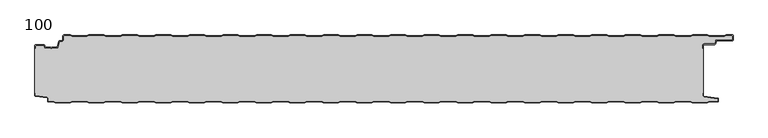
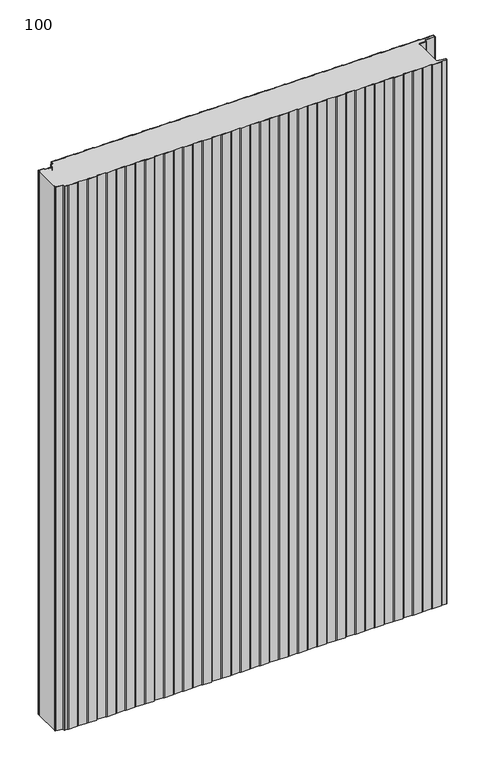
"""IFC4 building model written with IfcOpenShell, lengths in millimetres: plate geometry, 100."""

from ifc_helpers import new_model, si_unit, point, frame_2d, origin, origin_with_axes, place, context, project, spatial, polyline, circle_curve, trimmed, segment, composite_curve, outline, extrude, source, transform, mapped, element, save


def plate_100_24b2f9e5(model_context):
    return source(origin(), model_context, "Body", "SweptSolid", [
        extrude(outline(composite_curve([segment(trimmed(circle_curve(frame_2d((-498.6, -16.2480681)), 1.4), [point((-500.0, -16.2480681))], [point((-498.6, -14.8480681))], False, "CARTESIAN"), True, "CONTINUOUS"), segment(polyline([(-498.6, -14.8480681), (-486.4969094, -14.8480681)]), True, "CONTINUOUS"), segment(trimmed(circle_curve(frame_2d((-486.4969094, -16.2480681)), 1.4), [point((-486.4969094, -14.8480681))], [point((-485.1275334, -15.9568477))], False, "CARTESIAN"), True, "CONTINUOUS"), segment(polyline([(-485.1275334, -15.9568477), (-484.6878192, -18.0244711)]), True, "CONTINUOUS"), segment(trimmed(circle_curve(frame_2d((-484.1011925, -17.8997153)), 0.5997457), [point((-484.6878192, -18.0244711))], [point((-484.1011925, -18.499461))], True, "CARTESIAN"), True, "CONTINUOUS"), segment(polyline([(-484.1011925, -18.499461), (-476.9006569, -18.499461)]), True, "CONTINUOUS"), segment(trimmed(circle_curve(frame_2d((-476.9006569, -19.799946)), 1.300485), [point((-476.9006569, -18.499461))], [point((-475.9808032, -18.8806362))], False, "CARTESIAN"), True, "CONTINUOUS"), segment(trimmed(circle_curve(frame_2d((-475.5877843, -18.5693125)), 0.5013845), [point((-475.9808032, -18.8806362))], [point((-475.2328971, -18.9234896))], True, "CARTESIAN"), True, "CONTINUOUS"), segment(trimmed(circle_curve(frame_2d((-474.2728751, -19.8002001)), 1.3001013), [point((-475.2328971, -18.9234896))], [point((-474.2728751, -18.5000988))], False, "CARTESIAN"), True, "CONTINUOUS"), segment(polyline([(-474.2728751, -18.5000988), (-467.0728572, -18.5000988)]), True, "CONTINUOUS"), segment(trimmed(circle_curve(frame_2d((-467.0728572, -17.9000522)), 0.6000466), [point((-467.0728572, -18.5000988))], [point((-466.4859224, -18.0248059))], True, "CARTESIAN"), True, "CONTINUOUS"), segment(polyline([(-466.4859224, -18.0248059), (-464.8033928, -10.1089305)]), True, "CONTINUOUS"), segment(trimmed(circle_curve(frame_2d((-463.4339847, -10.4)), 1.4), [point((-464.8033928, -10.1089305))], [point((-463.4339847, -9.0))], False, "CARTESIAN"), True, "CONTINUOUS"), segment(polyline([(-463.4339847, -9.0), (-460.4027062, -9.0)]), True, "CONTINUOUS"), segment(trimmed(circle_curve(frame_2d((-460.4027062, -7.1)), 1.9), [point((-460.4027062, -9.0))], [point((-458.5027062, -7.1))], True, "CARTESIAN"), True, "CONTINUOUS"), segment(polyline([(-458.5027062, -7.1), (-458.5027062, -2.0)]), True, "CONTINUOUS"), segment(trimmed(circle_curve(frame_2d((-456.5027062, -2.0)), 2.0), [point((-458.5027062, -2.0))], [point((-456.5027062, 0.0))], False, "CARTESIAN"), True, "CONTINUOUS"), segment(polyline([(-456.5027062, 0.0), (-447.5017452, 0.0), (-444.5017452, -1.0), (-422.5017452, -1.0), (-419.5017452, 0.0), (-397.5017452, 0.0), (-394.5017452, -1.0), (-372.5017452, -1.0), (-369.5017452, 0.0), (-347.5017452, 0.0), (-344.5017452, -1.0), (-322.5017452, -1.0), (-319.5017452, 0.0), (-297.5017452, 0.0), (-294.5017452, -1.0), (-272.5017452, -1.0), (-269.5017452, 0.0), (-247.5017452, 0.0), (-244.5017452, -1.0), (-222.5017452, -1.0), (-219.5017452, 0.0), (-197.5017452, 0.0), (-194.5017452, -1.0), (-172.5017452, -1.0), (-169.5017452, 0.0), (-147.5017452, 0.0), (-144.5017452, -1.0), (-122.5017452, -1.0), (-119.5017452, 0.0), (-97.5017452, 0.0), (-94.5017452, -1.0), (-72.5017452, -1.0), (-69.5017452, 0.0), (-47.5017452, 0.0), (-44.5017452, -1.0), (-22.5017452, -1.0), (-19.5017452, 0.0), (2.4982548, 0.0), (5.4982548, -1.0), (27.4982548, -1.0), (30.4982548, 0.0), (52.4982548, 0.0), (55.4982548, -1.0), (77.4982548, -1.0), (80.4982548, 0.0), (102.4982548, 0.0), (105.4982548, -1.0), (127.4982548, -1.0), (130.4982548, 0.0), (152.4982548, 0.0), (155.4982548, -1.0), (177.4982548, -1.0), (180.4982548, 0.0), (202.4982548, 0.0), (205.4982548, -1.0), (227.4982548, -1.0), (230.4982548, 0.0), (252.4982548, 0.0), (255.4982548, -1.0), (277.4982548, -1.0), (280.4982548, 0.0), (302.4982548, 0.0), (305.4982548, -1.0), (327.4982548, -1.0), (330.4982548, 0.0), (352.4982548, 0.0), (355.4982548, -1.0), (377.4982548, -1.0), (380.4982548, 0.0), (402.4982548, 0.0), (405.4982548, -1.0), (427.4982548, -1.0), (430.4982548, 0.0), (452.4982548, 0.0), (455.4982548, -1.0), (477.4982548, -1.0), (480.4982548, 0.0), (502.4982548, 0.0), (505.4982548, -1.0), (527.4982548, -1.0), (530.4982548, 0.0), (539.4972938, 0.0)]), True, "CONTINUOUS"), segment(trimmed(circle_curve(frame_2d((539.4972938, -2.0)), 2.0), [point((539.4972938, 0.0))], [point((541.0, -0.6801992))], False, "CARTESIAN"), True, "CONTINUOUS"), segment(polyline([(541.0, -0.6801992), (541.0, -8.0014566)]), True, "CONTINUOUS"), segment(trimmed(circle_curve(frame_2d((539.7972938, -6.8)), 1.7), [point((541.0, -8.0014566))], [point((539.7972938, -8.5))], False, "CARTESIAN"), True, "CONTINUOUS"), segment(polyline([(539.7972938, -8.5), (517.0135311, -8.5)]), True, "CONTINUOUS"), segment(trimmed(circle_curve(frame_2d((517.0135311, -9.9)), 1.4), [point((517.0135311, -8.5))], [point((515.6441245, -9.6089236))], True, "CARTESIAN"), True, "CONTINUOUS"), segment(polyline([(515.6441245, -9.6089236), (514.8724972, -13.2391445)]), True, "CONTINUOUS"), segment(trimmed(circle_curve(frame_2d((513.5030906, -12.9480681)), 1.4), [point((514.8724972, -13.2391445))], [point((513.5030906, -14.3480681))], False, "CARTESIAN"), True, "CONTINUOUS"), segment(polyline([(513.5030906, -14.3480681), (497.9, -14.3480681)]), True, "CONTINUOUS"), segment(trimmed(circle_curve(frame_2d((497.9, -15.7480681)), 1.4), [point((497.9, -14.3480681))], [point((496.5, -15.7480681))], True, "CARTESIAN"), True, "CONTINUOUS"), segment(polyline([(496.5, -15.7480681), (496.5, -20.2482392), (495.7, -20.2482392), (495.7, -15.7480681)]), True, "CONTINUOUS"), segment(trimmed(circle_curve(frame_2d((497.9, -15.7480681)), 2.2), [point((495.7, -15.7480681))], [point((497.9, -13.5480681))], False, "CARTESIAN"), True, "CONTINUOUS"), segment(polyline([(497.9, -13.5480681), (513.5030906, -13.5480681)]), True, "CONTINUOUS"), segment(trimmed(circle_curve(frame_2d((513.5030906, -12.9480681)), 0.6), [point((513.5030906, -13.5480681))], [point((514.0899792, -13.0728151))], True, "CARTESIAN"), True, "CONTINUOUS"), segment(polyline([(514.0899792, -13.0728151), (514.8616064, -9.4425943)]), True, "CONTINUOUS"), segment(trimmed(circle_curve(frame_2d((517.0135311, -9.9)), 2.2), [point((514.8616064, -9.4425943))], [point((517.0135311, -7.7))], False, "CARTESIAN"), True, "CONTINUOUS"), segment(polyline([(517.0135311, -7.7), (539.7972938, -7.7)]), True, "CONTINUOUS"), segment(trimmed(circle_curve(frame_2d((539.7972938, -6.8)), 0.9), [point((539.7972938, -7.7))], [point((540.6972938, -6.8))], True, "CARTESIAN"), True, "CONTINUOUS"), segment(polyline([(540.6972938, -6.8), (540.6972938, -2.0)]), True, "CONTINUOUS"), segment(trimmed(circle_curve(frame_2d((539.4972938, -2.0)), 1.2), [point((540.6972938, -2.0))], [point((539.4972938, -0.8))], True, "CARTESIAN"), True, "CONTINUOUS"), segment(polyline([(539.4972938, -0.8), (530.6280769, -0.8), (527.6280769, -1.8), (505.3684327, -1.8), (502.3684327, -0.8), (480.6280769, -0.8), (477.6280769, -1.8), (455.3684327, -1.8), (452.3684327, -0.8), (430.6280769, -0.8), (427.6280769, -1.8), (405.3684327, -1.8), (402.3684327, -0.8), (380.6280769, -0.8), (377.6280769, -1.8), (355.3684327, -1.8), (352.3684327, -0.8), (330.6280769, -0.8), (327.6280769, -1.8), (305.3684327, -1.8), (302.3684327, -0.8), (280.6280769, -0.8), (277.6280769, -1.8), (255.3684327, -1.8), (252.3684327, -0.8), (230.6280769, -0.8), (227.6280769, -1.8), (205.3684327, -1.8), (202.3684327, -0.8), (180.6280769, -0.8), (177.6280769, -1.8), (155.3684327, -1.8), (152.3684327, -0.8), (130.6280769, -0.8), (127.6280769, -1.8), (105.3684327, -1.8), (102.3684327, -0.8), (80.6280769, -0.8), (77.6280769, -1.8), (55.3684327, -1.8), (52.3684327, -0.8), (30.6280769, -0.8), (27.6280769, -1.8), (5.3684327, -1.8), (2.3684327, -0.8), (-19.3719231, -0.8), (-22.3719231, -1.8), (-44.6315673, -1.8), (-47.6315673, -0.8), (-69.3719231, -0.8), (-72.3719231, -1.8), (-94.6315673, -1.8), (-97.6315673, -0.8), (-119.3719231, -0.8), (-122.3719231, -1.8), (-144.6315673, -1.8), (-147.6315673, -0.8), (-169.3719231, -0.8), (-172.3719231, -1.8), (-194.6315673, -1.8), (-197.6315673, -0.8), (-219.3719231, -0.8), (-222.3719231, -1.8), (-244.6315673, -1.8), (-247.6315673, -0.8), (-269.3719231, -0.8), (-272.3719231, -1.8), (-294.6315673, -1.8), (-297.6315673, -0.8), (-319.3719231, -0.8), (-322.3719231, -1.8), (-344.6315673, -1.8), (-347.6315673, -0.8), (-369.3719231, -0.8), (-372.3719231, -1.8), (-394.6315673, -1.8), (-397.6315673, -0.8), (-419.3719231, -0.8), (-422.3719231, -1.8), (-444.6315673, -1.8), (-447.6315673, -0.8), (-456.5027062, -0.8)]), True, "CONTINUOUS"), segment(trimmed(circle_curve(frame_2d((-456.5027062, -2.0)), 1.2), [point((-456.5027062, -0.8))], [point((-457.7027062, -2.0))], True, "CARTESIAN"), True, "CONTINUOUS"), segment(polyline([(-457.7027062, -2.0), (-457.7027062, -7.1)]), True, "CONTINUOUS"), segment(trimmed(circle_curve(frame_2d((-460.4027062, -7.1)), 2.7), [point((-457.7027062, -7.1))], [point((-460.4027062, -9.8))], False, "CARTESIAN"), True, "CONTINUOUS"), segment(polyline([(-460.4027062, -9.8), (-463.4339847, -9.8)]), True, "CONTINUOUS"), segment(trimmed(circle_curve(frame_2d((-463.4339847, -10.4)), 0.6), [point((-463.4339847, -9.8))], [point((-464.0208733, -10.275253))], True, "CARTESIAN"), True, "CONTINUOUS"), segment(polyline([(-464.0208733, -10.275253), (-465.7034335, -18.1910764)]), True, "CONTINUOUS"), segment(trimmed(circle_curve(frame_2d((-467.0728401, -17.9)), 1.4), [point((-465.7034335, -18.1910764))], [point((-467.0728401, -19.3))], False, "CARTESIAN"), True, "CONTINUOUS"), segment(polyline([(-467.0728401, -19.3), (-474.5122154, -19.3)]), True, "CONTINUOUS"), segment(trimmed(circle_curve(frame_2d((-475.5869697, -18.5686292)), 1.3), [point((-474.5122154, -19.3))], [point((-476.6617239, -19.3))], False, "CARTESIAN"), True, "CONTINUOUS"), segment(polyline([(-476.6617239, -19.3), (-484.1010993, -19.3)]), True, "CONTINUOUS"), segment(trimmed(circle_curve(frame_2d((-484.1010993, -17.9)), 1.4), [point((-484.1010993, -19.3))], [point((-485.4705059, -18.1910764))], False, "CARTESIAN"), True, "CONTINUOUS"), segment(polyline([(-485.4705059, -18.1910764), (-485.9100208, -16.1233211)]), True, "CONTINUOUS"), segment(trimmed(circle_curve(frame_2d((-486.4969094, -16.2480681)), 0.6), [point((-485.9100208, -16.1233211))], [point((-486.4969094, -15.6480681))], True, "CARTESIAN"), True, "CONTINUOUS"), segment(polyline([(-486.4969094, -15.6480681), (-498.6, -15.6480681)]), True, "CONTINUOUS"), segment(trimmed(circle_curve(frame_2d((-498.6, -16.2480681)), 0.6), [point((-498.6, -15.6480681))], [point((-499.2, -16.2480681))], True, "CARTESIAN"), True, "CONTINUOUS"), segment(polyline([(-499.2, -16.2480681), (-499.2, -20.2482392), (-500.0, -20.2482392), (-500.0, -16.2480681)]), True, "CONTINUOUS")], self_intersect=False)), origin_with_axes(), (0.0, 0.0, 1.0), 1500.0),
        extrude(outline(composite_curve([segment(polyline([(-500.0, -86.3232445), (-500.0, -20.2482392), (-499.2, -20.2482392), (-499.2, -16.2480681)]), True, "CONTINUOUS"), segment(trimmed(circle_curve(frame_2d((-498.6, -16.2480681)), 0.6), [point((-499.2, -16.2480681))], [point((-498.6, -15.6480681))], False, "CARTESIAN"), True, "CONTINUOUS"), segment(polyline([(-498.6, -15.6480681), (-486.4969094, -15.6480681)]), True, "CONTINUOUS"), segment(trimmed(circle_curve(frame_2d((-486.4969094, -16.2480681)), 0.6), [point((-486.4969094, -15.6480681))], [point((-485.9100208, -16.1233211))], False, "CARTESIAN"), True, "CONTINUOUS"), segment(polyline([(-485.9100208, -16.1233211), (-485.4705059, -18.1910764)]), True, "CONTINUOUS"), segment(trimmed(circle_curve(frame_2d((-484.1010993, -17.9)), 1.4), [point((-485.4705059, -18.1910764))], [point((-484.1010993, -19.3))], True, "CARTESIAN"), True, "CONTINUOUS"), segment(polyline([(-484.1010993, -19.3), (-476.6617239, -19.3)]), True, "CONTINUOUS"), segment(trimmed(circle_curve(frame_2d((-475.5869697, -18.5686292)), 1.3), [point((-476.6617239, -19.3))], [point((-474.5122154, -19.3))], True, "CARTESIAN"), True, "CONTINUOUS"), segment(polyline([(-474.5122154, -19.3), (-467.0728401, -19.3)]), True, "CONTINUOUS"), segment(trimmed(circle_curve(frame_2d((-467.0728401, -17.9)), 1.4), [point((-467.0728401, -19.3))], [point((-465.7034335, -18.1910764))], True, "CARTESIAN"), True, "CONTINUOUS"), segment(polyline([(-465.7034335, -18.1910764), (-464.0208733, -10.275253)]), True, "CONTINUOUS"), segment(trimmed(circle_curve(frame_2d((-463.4339847, -10.4)), 0.6), [point((-464.0208733, -10.275253))], [point((-463.4339847, -9.8))], False, "CARTESIAN"), True, "CONTINUOUS"), segment(polyline([(-463.4339847, -9.8), (-460.4027062, -9.8)]), True, "CONTINUOUS"), segment(trimmed(circle_curve(frame_2d((-460.4027062, -7.1)), 2.7), [point((-460.4027062, -9.8))], [point((-457.7027062, -7.1))], True, "CARTESIAN"), True, "CONTINUOUS"), segment(polyline([(-457.7027062, -7.1), (-457.7027062, -2.0)]), True, "CONTINUOUS"), segment(trimmed(circle_curve(frame_2d((-456.5027062, -2.0)), 1.2), [point((-457.7027062, -2.0))], [point((-456.5027062, -0.8))], False, "CARTESIAN"), True, "CONTINUOUS"), segment(polyline([(-456.5027062, -0.8), (-447.6315673, -0.8), (-444.6315673, -1.8), (-422.3719231, -1.8), (-419.3719231, -0.8), (-397.6315673, -0.8), (-394.6315673, -1.8), (-372.3719231, -1.8), (-369.3719231, -0.8), (-347.6315673, -0.8), (-344.6315673, -1.8), (-322.3719231, -1.8), (-319.3719231, -0.8), (-297.6315673, -0.8), (-294.6315673, -1.8), (-272.3719231, -1.8), (-269.3719231, -0.8), (-247.6315673, -0.8), (-244.6315673, -1.8), (-222.3719231, -1.8), (-219.3719231, -0.8), (-197.6315673, -0.8), (-194.6315673, -1.8), (-172.3719231, -1.8), (-169.3719231, -0.8), (-147.6315673, -0.8), (-144.6315673, -1.8), (-122.3719231, -1.8), (-119.3719231, -0.8), (-97.6315673, -0.8), (-94.6315673, -1.8), (-72.3719231, -1.8), (-69.3719231, -0.8), (-47.6315673, -0.8), (-44.6315673, -1.8), (-22.3719231, -1.8), (-19.3719231, -0.8), (2.3684327, -0.8), (5.3684327, -1.8), (27.6280769, -1.8), (30.6280769, -0.8), (52.3684327, -0.8), (55.3684327, -1.8), (77.6280769, -1.8), (80.6280769, -0.8), (102.3684327, -0.8), (105.3684327, -1.8), (127.6280769, -1.8), (130.6280769, -0.8), (152.3684327, -0.8), (155.3684327, -1.8), (177.6280769, -1.8), (180.6280769, -0.8), (202.3684327, -0.8), (205.3684327, -1.8), (227.6280769, -1.8), (230.6280769, -0.8), (252.3684327, -0.8), (255.3684327, -1.8), (277.6280769, -1.8), (280.6280769, -0.8), (302.3684327, -0.8), (305.3684327, -1.8), (327.6280769, -1.8), (330.6280769, -0.8), (352.3684327, -0.8), (355.3684327, -1.8), (377.6280769, -1.8), (380.6280769, -0.8), (402.3684327, -0.8), (405.3684327, -1.8), (427.6280769, -1.8), (430.6280769, -0.8), (452.3684327, -0.8), (455.3684327, -1.8), (477.6280769, -1.8), (480.6280769, -0.8), (502.3684327, -0.8), (505.3684327, -1.8), (527.6280769, -1.8), (530.6280769, -0.8), (539.4972938, -0.8)]), True, "CONTINUOUS"), segment(trimmed(circle_curve(frame_2d((539.4972938, -2.0)), 1.2), [point((539.4972938, -0.8))], [point((540.6972938, -2.0))], False, "CARTESIAN"), True, "CONTINUOUS"), segment(polyline([(540.6972938, -2.0), (540.6972938, -6.8)]), True, "CONTINUOUS"), segment(trimmed(circle_curve(frame_2d((539.7972938, -6.8)), 0.9), [point((540.6972938, -6.8))], [point((539.7972938, -7.7))], False, "CARTESIAN"), True, "CONTINUOUS"), segment(polyline([(539.7972938, -7.7), (517.0135311, -7.7)]), True, "CONTINUOUS"), segment(trimmed(circle_curve(frame_2d((517.0135311, -9.9)), 2.2), [point((517.0135311, -7.7))], [point((514.8616064, -9.4425943))], True, "CARTESIAN"), True, "CONTINUOUS"), segment(polyline([(514.8616064, -9.4425943), (514.0899792, -13.0728151)]), True, "CONTINUOUS"), segment(trimmed(circle_curve(frame_2d((513.5030906, -12.9480681)), 0.6), [point((514.0899792, -13.0728151))], [point((513.5030906, -13.5480681))], False, "CARTESIAN"), True, "CONTINUOUS"), segment(polyline([(513.5030906, -13.5480681), (497.9, -13.5480681)]), True, "CONTINUOUS"), segment(trimmed(circle_curve(frame_2d((497.9, -15.7480681)), 2.2), [point((497.9, -13.5480681))], [point((495.7, -15.7480681))], True, "CARTESIAN"), True, "CONTINUOUS"), segment(polyline([(495.7, -15.7480681), (495.7, -20.2482392), (496.5, -20.2482392), (496.5, -86.3232445), (495.7, -86.3232445), (495.7, -90.7275325)]), True, "CONTINUOUS"), segment(trimmed(circle_curve(frame_2d((497.2, -90.7275325)), 1.5), [point((495.7, -90.7275325))], [point((496.9911207, -92.2129178))], True, "CARTESIAN"), True, "CONTINUOUS"), segment(polyline([(496.9911207, -92.2129178), (517.69005, -95.1236622)]), True, "CONTINUOUS"), segment(trimmed(circle_curve(frame_2d((517.6075495, -95.7103403)), 0.5924505), [point((517.69005, -95.1236622))], [point((518.2, -95.7103403))], False, "CARTESIAN"), True, "CONTINUOUS"), segment(polyline([(518.2, -95.7103403), (518.2, -98.7)]), True, "CONTINUOUS"), segment(trimmed(circle_curve(frame_2d((517.7, -98.7)), 0.5), [point((518.2, -98.7))], [point((517.7, -99.2))], False, "CARTESIAN"), True, "CONTINUOUS"), segment(polyline([(517.7, -99.2), (505.3684327, -99.2), (502.3684327, -100.2), (480.3684327, -100.2), (477.3684327, -99.2), (455.3684327, -99.2), (452.3684327, -100.2), (430.3684327, -100.2), (427.3684327, -99.2), (405.3684327, -99.2), (402.3684327, -100.2), (380.3684327, -100.2), (377.3684327, -99.2), (355.3684327, -99.2), (352.3684327, -100.2), (330.3684327, -100.2), (327.3684327, -99.2), (305.3684327, -99.2), (302.3684327, -100.2), (280.3684327, -100.2), (277.3684327, -99.2), (255.3684327, -99.2), (252.3684327, -100.2), (230.3684327, -100.2), (227.3684327, -99.2), (205.3684327, -99.2), (202.3684327, -100.2), (180.3684327, -100.2), (177.3684327, -99.2), (155.3684327, -99.2), (152.3684327, -100.2), (130.3684327, -100.2), (127.3684327, -99.2), (105.3684327, -99.2), (102.3684327, -100.2), (80.3684327, -100.2), (77.3684327, -99.2), (55.3684327, -99.2), (52.3684327, -100.2), (30.3684327, -100.2), (27.3684327, -99.2), (5.3684327, -99.2), (2.3684327, -100.2), (-19.6315673, -100.2), (-22.6315673, -99.2), (-44.6315673, -99.2), (-47.6315673, -100.2), (-69.6315673, -100.2), (-72.6315673, -99.2), (-94.6315673, -99.2), (-97.6315673, -100.2), (-119.6315673, -100.2), (-122.6315673, -99.2), (-144.6315673, -99.2), (-147.6315673, -100.2), (-169.6315673, -100.2), (-172.6315673, -99.2), (-194.6315673, -99.2), (-197.6315673, -100.2), (-219.6315673, -100.2), (-222.6315673, -99.2), (-244.6315673, -99.2), (-247.6315673, -100.2), (-269.6315673, -100.2), (-272.6315673, -99.2), (-294.6315673, -99.2), (-297.6315673, -100.2), (-319.6315673, -100.2), (-322.6315673, -99.2), (-344.6315673, -99.2), (-347.6315673, -100.2), (-369.6315673, -100.2), (-372.6315673, -99.2), (-394.6315673, -99.2), (-397.6315673, -100.2), (-419.6315673, -100.2), (-422.6315673, -99.2), (-444.6315673, -99.2), (-447.6315673, -100.2), (-469.6315673, -100.2), (-472.6315673, -99.2), (-479.7, -99.2)]), True, "CONTINUOUS"), segment(trimmed(circle_curve(frame_2d((-479.7, -98.7)), 0.5), [point((-479.7, -99.2))], [point((-480.2, -98.7))], False, "CARTESIAN"), True, "CONTINUOUS"), segment(polyline([(-480.2, -98.7), (-480.2, -94.6035317)]), True, "CONTINUOUS"), segment(trimmed(circle_curve(frame_2d((-481.7, -94.6035317)), 1.5), [point((-480.2, -94.6035317))], [point((-481.4911207, -93.1181464))], True, "CARTESIAN"), True, "CONTINUOUS"), segment(polyline([(-481.4911207, -93.1181464), (-498.6835517, -90.7004962)]), True, "CONTINUOUS"), segment(trimmed(circle_curve(frame_2d((-498.6, -90.1063421)), 0.6), [point((-498.6835517, -90.7004962))], [point((-499.2, -90.1063421))], False, "CARTESIAN"), True, "CONTINUOUS"), segment(polyline([(-499.2, -90.1063421), (-499.2, -86.3232445), (-500.0, -86.3232445)]), True, "CONTINUOUS")], self_intersect=False)), origin_with_axes(), (0.0, 0.0, 1.0), 1500.0),
        extrude(outline(composite_curve([segment(polyline([(-500.0, -86.3232445), (-499.2, -86.3232445), (-499.2, -90.1063421)]), True, "CONTINUOUS"), segment(trimmed(circle_curve(frame_2d((-498.6, -90.1063421)), 0.6), [point((-499.2, -90.1063421))], [point((-498.6835517, -90.7004962))], True, "CARTESIAN"), True, "CONTINUOUS"), segment(polyline([(-498.6835517, -90.7004962), (-481.4911207, -93.1181464)]), True, "CONTINUOUS"), segment(trimmed(circle_curve(frame_2d((-481.7, -94.6035317)), 1.5), [point((-481.4911207, -93.1181464))], [point((-480.2, -94.6035317))], False, "CARTESIAN"), True, "CONTINUOUS"), segment(polyline([(-480.2, -94.6035317), (-480.2, -98.7)]), True, "CONTINUOUS"), segment(trimmed(circle_curve(frame_2d((-479.7, -98.7)), 0.5), [point((-480.2, -98.7))], [point((-479.7, -99.2))], True, "CARTESIAN"), True, "CONTINUOUS"), segment(polyline([(-479.7, -99.2), (-472.6315673, -99.2), (-469.6315673, -100.2), (-447.6315673, -100.2), (-444.6315673, -99.2), (-422.6315673, -99.2), (-419.6315673, -100.2), (-397.6315673, -100.2), (-394.6315673, -99.2), (-372.6315673, -99.2), (-369.6315673, -100.2), (-347.6315673, -100.2), (-344.6315673, -99.2), (-322.6315673, -99.2), (-319.6315673, -100.2), (-297.6315673, -100.2), (-294.6315673, -99.2), (-272.6315673, -99.2), (-269.6315673, -100.2), (-247.6315673, -100.2), (-244.6315673, -99.2), (-222.6315673, -99.2), (-219.6315673, -100.2), (-197.6315673, -100.2), (-194.6315673, -99.2), (-172.6315673, -99.2), (-169.6315673, -100.2), (-147.6315673, -100.2), (-144.6315673, -99.2), (-122.6315673, -99.2), (-119.6315673, -100.2), (-97.6315673, -100.2), (-94.6315673, -99.2), (-72.6315673, -99.2), (-69.6315673, -100.2), (-47.6315673, -100.2), (-44.6315673, -99.2), (-22.6315673, -99.2), (-19.6315673, -100.2), (2.3684327, -100.2), (5.3684327, -99.2), (27.3684327, -99.2), (30.3684327, -100.2), (52.3684327, -100.2), (55.3684327, -99.2), (77.3684327, -99.2), (80.3684327, -100.2), (102.3684327, -100.2), (105.3684327, -99.2), (127.3684327, -99.2), (130.3684327, -100.2), (152.3684327, -100.2), (155.3684327, -99.2), (177.3684327, -99.2), (180.3684327, -100.2), (202.3684327, -100.2), (205.3684327, -99.2), (227.3684327, -99.2), (230.3684327, -100.2), (252.3684327, -100.2), (255.3684327, -99.2), (277.3684327, -99.2), (280.3684327, -100.2), (302.3684327, -100.2), (305.3684327, -99.2), (327.3684327, -99.2), (330.3684327, -100.2), (352.3684327, -100.2), (355.3684327, -99.2), (377.3684327, -99.2), (380.3684327, -100.2), (402.3684327, -100.2), (405.3684327, -99.2), (427.3684327, -99.2), (430.3684327, -100.2), (452.3684327, -100.2), (455.3684327, -99.2), (477.3684327, -99.2), (480.3684327, -100.2), (502.3684327, -100.2), (505.3684327, -99.2), (517.7, -99.2)]), True, "CONTINUOUS"), segment(trimmed(circle_curve(frame_2d((517.7, -98.7)), 0.5), [point((517.7, -99.2))], [point((518.2, -98.7))], True, "CARTESIAN"), True, "CONTINUOUS"), segment(polyline([(518.2, -98.7), (518.2, -95.7103403)]), True, "CONTINUOUS"), segment(trimmed(circle_curve(frame_2d((517.6075495, -95.7103403)), 0.5924505), [point((518.2, -95.7103403))], [point((517.69005, -95.1236622))], True, "CARTESIAN"), True, "CONTINUOUS"), segment(polyline([(517.69005, -95.1236622), (496.9911207, -92.2129178)]), True, "CONTINUOUS"), segment(trimmed(circle_curve(frame_2d((497.2, -90.7275325)), 1.5), [point((496.9911207, -92.2129178))], [point((495.7, -90.7275325))], False, "CARTESIAN"), True, "CONTINUOUS"), segment(polyline([(495.7, -90.7275325), (495.7, -86.3232445), (496.5, -86.3232445), (496.5, -90.7275325)]), True, "CONTINUOUS"), segment(trimmed(circle_curve(frame_2d((497.2, -90.7275325)), 0.7), [point((496.5, -90.7275325))], [point((497.102523, -91.4207123))], True, "CARTESIAN"), True, "CONTINUOUS"), segment(polyline([(497.102523, -91.4207123), (517.8810287, -94.342647)]), True, "CONTINUOUS"), segment(trimmed(circle_curve(frame_2d((517.7, -95.6299809)), 1.3), [point((517.8810287, -94.342647))], [point((519.0, -95.6299809))], False, "CARTESIAN"), True, "CONTINUOUS"), segment(polyline([(519.0, -95.6299809), (519.0, -98.7)]), True, "CONTINUOUS"), segment(trimmed(circle_curve(frame_2d((517.7, -98.7)), 1.3), [point((519.0, -98.7))], [point((517.7, -100.0))], False, "CARTESIAN"), True, "CONTINUOUS"), segment(polyline([(517.7, -100.0), (505.4982548, -100.0), (502.4982548, -101.0), (480.2386105, -101.0), (477.2386105, -100.0), (455.4982548, -100.0), (452.4982548, -101.0), (430.2386105, -101.0), (427.2386105, -100.0), (405.4982548, -100.0), (402.4982548, -101.0), (380.2386105, -101.0), (377.2386105, -100.0), (355.4982548, -100.0), (352.4982548, -101.0), (330.2386105, -101.0), (327.2386105, -100.0), (305.4982548, -100.0), (302.4982548, -101.0), (280.2386105, -101.0), (277.2386105, -100.0), (255.4982548, -100.0), (252.4982548, -101.0), (230.2386105, -101.0), (227.2386105, -100.0), (205.4982548, -100.0), (202.4982548, -101.0), (180.2386105, -101.0), (177.2386105, -100.0), (155.4982548, -100.0), (152.4982548, -101.0), (130.2386105, -101.0), (127.2386105, -100.0), (105.4982548, -100.0), (102.4982548, -101.0), (80.2386105, -101.0), (77.2386105, -100.0), (55.4982548, -100.0), (52.4982548, -101.0), (30.2386105, -101.0), (27.2386105, -100.0), (5.4982548, -100.0), (2.4982548, -101.0), (-19.7613895, -101.0), (-22.7613895, -100.0), (-44.5017452, -100.0), (-47.5017452, -101.0), (-69.7613895, -101.0), (-72.7613895, -100.0), (-94.5017452, -100.0), (-97.5017452, -101.0), (-119.7613895, -101.0), (-122.7613895, -100.0), (-144.5017452, -100.0), (-147.5017452, -101.0), (-169.7613895, -101.0), (-172.7613895, -100.0), (-194.5017452, -100.0), (-197.5017452, -101.0), (-219.7613895, -101.0), (-222.7613895, -100.0), (-244.5017452, -100.0), (-247.5017452, -101.0), (-269.7613895, -101.0), (-272.7613895, -100.0), (-294.5017452, -100.0), (-297.5017452, -101.0), (-319.7613895, -101.0), (-322.7613895, -100.0), (-344.5017452, -100.0), (-347.5017452, -101.0), (-369.7613895, -101.0), (-372.7613895, -100.0), (-394.5017452, -100.0), (-397.5017452, -101.0), (-419.7613895, -101.0), (-422.7613895, -100.0), (-444.5017452, -100.0), (-447.5017452, -101.0), (-469.7613895, -101.0), (-472.7613895, -100.0), (-479.7, -100.0)]), True, "CONTINUOUS"), segment(trimmed(circle_curve(frame_2d((-479.7, -98.7)), 1.3), [point((-479.7, -100.0))], [point((-481.0, -98.7))], False, "CARTESIAN"), True, "CONTINUOUS"), segment(polyline([(-481.0, -98.7), (-481.0, -94.6035317)]), True, "CONTINUOUS"), segment(trimmed(circle_curve(frame_2d((-481.7, -94.6035317)), 0.7), [point((-481.0, -94.6035317))], [point((-481.602523, -93.9103519))], True, "CARTESIAN"), True, "CONTINUOUS"), segment(polyline([(-481.602523, -93.9103519), (-498.8810287, -91.4805976)]), True, "CONTINUOUS"), segment(trimmed(circle_curve(frame_2d((-498.7, -90.1932637)), 1.3), [point((-498.8810287, -91.4805976))], [point((-500.0, -90.1932637))], False, "CARTESIAN"), True, "CONTINUOUS"), segment(polyline([(-500.0, -90.1932637), (-500.0, -86.3232445)]), True, "CONTINUOUS")], self_intersect=False)), origin_with_axes(), (0.0, 0.0, 1.0), 1500.0),
    ])


if __name__ == "__main__":
    model = new_model("IFC4")
    model_context = context("Model", 3, world=origin())
    ifc_project = project(units=[si_unit("LENGTHUNIT", "METRE", prefix="MILLI")], contexts=[model_context])
    site = spatial("IfcSite", under=ifc_project)
    building = spatial("IfcBuilding", under=site)
    placement = place(None, origin())
    plate_100_shape = plate_100_24b2f9e5(model_context)
    element("IfcPlate", 1, ObjectType="100", at=placement, inside=building, context=model_context, shape_type="MappedRepresentation", body=[
        mapped(plate_100_shape, transform((0.0, 0.0, 0.0), x_axis=(1.0, 0.0, 0.0), y_axis=(0.0, 1.0, 0.0), z_axis=(0.0, 0.0, 1.0))),
    ])
    save(model, "model.ifc")
